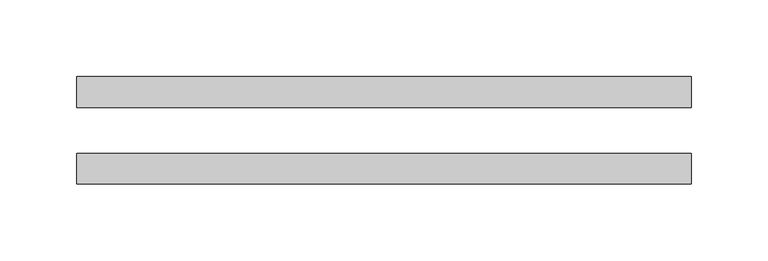
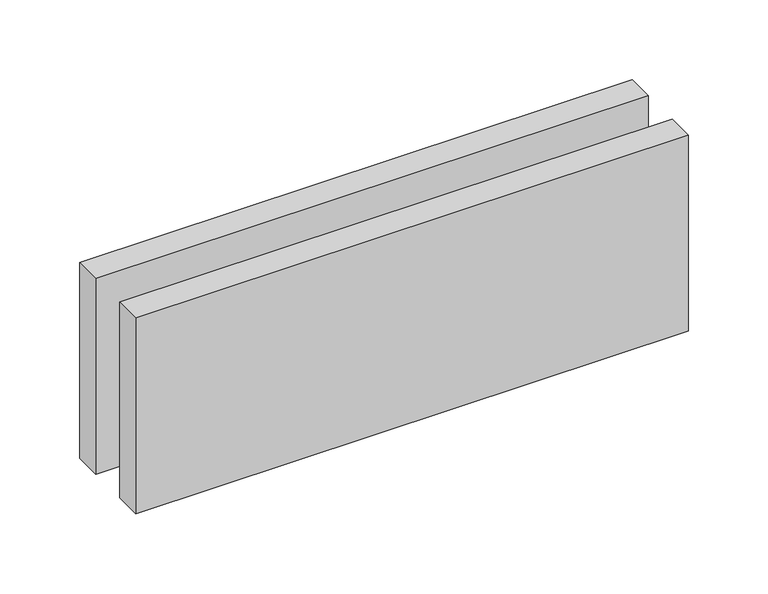
"""IFC4 building model written with IfcOpenShell, lengths in millimetres: proxy geometry."""

import ifcopenshell
import ifcopenshell.guid

model = None  # the IFC model being written
_history = None  # IfcOwnerHistory: only IFC2X3 demands one
_inside = {}  # id of a spatial element -> (the spatial element, [elements in it])
_under = {}  # id of a project, library or spatial element -> (it, [spatial elements below it])
_declared = {}  # id of a project -> (the project, [libraries it declares])
_typed = {}  # id of a type object -> (the type object, [elements of that type])
_made_of = {}  # id of a material, layer set ... -> (it, [elements and type objects made of it])


def new_model(schema):
    """Start an empty IFC model of exactly this schema.

    Asked for "IFC4X3", IfcOpenShell would pick the latest addendum, in which some entities
    have other attributes; the version numbers below select the first issue.
    IFC2X3 requires an IfcOwnerHistory on every rooted entity: one is made here for all.
    """
    global model, _history
    if schema == "IFC4X3":
        model = ifcopenshell.file(schema_version=(4, 3, 0, 0))
    else:
        model = ifcopenshell.file(schema=schema)
    _inside.clear()
    _under.clear()
    _declared.clear()
    _typed.clear()
    _made_of.clear()
    _history = None
    if model.schema == "IFC2X3":
        org = make("IfcOrganization", Name="unknown")
        user = make(
            "IfcPersonAndOrganization",
            ThePerson=make("IfcPerson", FamilyName="unknown"),
            TheOrganization=org,
        )
        app = make(
            "IfcApplication",
            ApplicationDeveloper=org,
            Version="unknown",
            ApplicationFullName="unknown",
            ApplicationIdentifier="unknown",
        )
        _history = make(
            "IfcOwnerHistory",
            OwningUser=user,
            OwningApplication=app,
            ChangeAction="ADDED",
            CreationDate=0,
        )
    return model


def make(cls, **values):
    """One entity of the class cls with the attributes given. An attribute that is None is left unset."""
    return model.create_entity(
        cls, **{name: value for name, value in values.items() if value is not None}
    )


def rooted(cls, **values):
    """An entity with a GlobalId (a new one), such as an element, a storey or a relation."""
    return make(cls, GlobalId=ifcopenshell.guid.new(), OwnerHistory=_history, **values)


def si_unit(unit_type, name, prefix=None):
    """IfcSIUnit, for example si_unit("LENGTHUNIT", "METRE", prefix="MILLI")."""
    return make("IfcSIUnit", UnitType=unit_type, Prefix=prefix, Name=name)


def assignment(units):
    """IfcUnitAssignment: the units of a project."""
    return None if units is None else make("IfcUnitAssignment", Units=units)


def point(xyz):
    """IfcCartesianPoint."""
    return None if xyz is None else make("IfcCartesianPoint", Coordinates=xyz)


def direction(xyz):
    """IfcDirection."""
    return None if xyz is None else make("IfcDirection", DirectionRatios=xyz)


def frame(location, z_axis=None, x_axis=None):
    """IfcAxis2Placement3D, a coordinate frame: its origin and axes. An axis left out is left unset."""
    return make(
        "IfcAxis2Placement3D",
        Location=point(location),
        Axis=direction(z_axis),
        RefDirection=direction(x_axis),
    )


def origin():
    """The frame at (0, 0, 0) with its axes left unset."""
    return frame((0.0, 0.0, 0.0))


def origin_with_axes():
    """The frame at (0, 0, 0) with the z axis (0, 0, 1) and the x axis (1, 0, 0) written out."""
    return frame((0.0, 0.0, 0.0), z_axis=(0.0, 0.0, 1.0), x_axis=(1.0, 0.0, 0.0))


def place(relative_to, where):
    """IfcLocalPlacement: puts the frame where relative to a parent placement (None: the world)."""
    return make(
        "IfcLocalPlacement", PlacementRelTo=relative_to, RelativePlacement=where
    )


def context(
    kind, dimensions, precision=None, world=None, true_north=None, identifier=None
):
    """IfcGeometricRepresentationContext, for example the 3D "Model" context."""
    return make(
        "IfcGeometricRepresentationContext",
        ContextIdentifier=identifier,
        ContextType=kind,
        CoordinateSpaceDimension=dimensions,
        Precision=precision,
        WorldCoordinateSystem=world,
        TrueNorth=true_north,
    )


def project(units=None, contexts=None):
    """IfcProject with its units and contexts."""
    return rooted(
        "IfcProject",
        Name="project",
        RepresentationContexts=contexts,
        UnitsInContext=assignment(units),
    )


def spatial(cls, under=None, at=None, **own):
    """A site, building, storey or space (cls), placed at a placement, below another one or the project."""
    s = rooted(cls, ObjectPlacement=at, **own)
    if under is not None:
        _under.setdefault(under.id(), (under, []))[1].append(s)
    return s


def polyline(points):
    """IfcPolyline through the points."""
    return make("IfcPolyline", Points=[point(p) for p in points])


def outline(outer, holes=None, kind="AREA"):
    """IfcArbitraryClosedProfileDef: a profile drawn as a closed curve; with holes, ...WithVoids."""
    if holes is None:
        return make("IfcArbitraryClosedProfileDef", ProfileType=kind, OuterCurve=outer)
    return make(
        "IfcArbitraryProfileDefWithVoids",
        ProfileType=kind,
        OuterCurve=outer,
        InnerCurves=holes,
    )


def extrude(swept, where, along, depth):
    """IfcExtrudedAreaSolid: the profile swept, set in the frame where, extruded along a direction by depth."""
    return make(
        "IfcExtrudedAreaSolid",
        SweptArea=swept,
        Position=where,
        ExtrudedDirection=direction(along),
        Depth=depth,
    )


def shape(context_of_items, identifier, shape_type, items):
    """IfcShapeRepresentation: the items that make up one representation, for example the "Body"."""
    return make(
        "IfcShapeRepresentation",
        ContextOfItems=context_of_items,
        RepresentationIdentifier=identifier,
        RepresentationType=shape_type,
        Items=items,
    )


def source(mapping_origin, context_of_items, identifier, shape_type, items):
    """IfcRepresentationMap: a shape defined once, which mapped items show again and again."""
    return make(
        "IfcRepresentationMap",
        MappingOrigin=mapping_origin,
        MappedRepresentation=shape(context_of_items, identifier, shape_type, items),
    )


def transform(
    local_origin,
    x_axis=None,
    y_axis=None,
    z_axis=None,
    scale=None,
    scale2=None,
    scale3=None,
    uniform=True,
):
    """IfcCartesianTransformationOperator3D, or its non-uniform kind. x_axis, y_axis, z_axis: its Axis1, 2, 3."""
    if uniform:
        return make(
            "IfcCartesianTransformationOperator3D",
            Axis1=direction(x_axis),
            Axis2=direction(y_axis),
            LocalOrigin=point(local_origin),
            Scale=scale,
            Axis3=direction(z_axis),
        )
    return make(
        "IfcCartesianTransformationOperator3DnonUniform",
        Axis1=direction(x_axis),
        Axis2=direction(y_axis),
        LocalOrigin=point(local_origin),
        Scale=scale,
        Axis3=direction(z_axis),
        Scale2=scale2,
        Scale3=scale3,
    )


def mapped(mapping_source, mapping_target):
    """IfcMappedItem: shows the shape of a source again, moved by a transform."""
    return make(
        "IfcMappedItem", MappingSource=mapping_source, MappingTarget=mapping_target
    )


def made_of(thing, what):
    """Note that an element or type object is made of a material, layer set ...; save() writes the relation."""
    if what is not None:
        _made_of.setdefault(what.id(), (what, []))[1].append(thing)
    return thing


def element(
    cls,
    number,
    at=None,
    inside=None,
    cuts=None,
    type_object=None,
    material=None,
    context=None,
    identifier="Body",
    shape_type=None,
    held_by="IfcProductDefinitionShape",
    body=None,
    shapes=None,
    **own,
):
    """One element of the class cls, such as IfcWall. Its Tag is "e" and its number.

    at: its placement. inside: the storey or other place that contains it. cuts: it is an
    opening in that element (IfcRelVoidsElement). A single representation is given by context,
    identifier, shape_type and body (its items); several are given by shapes. held_by: the class
    of the entity that holds the representations. save() writes the other relations.
    """
    e = rooted(cls, Tag="e%d" % number, ObjectPlacement=at, **own)
    if body is not None:
        shapes = [shape(context, identifier, shape_type, body)]
    if shapes is not None:
        e.Representation = make(held_by, Representations=shapes)
    if inside is not None:
        _inside.setdefault(inside.id(), (inside, []))[1].append(e)
    if cuts is not None:
        rooted(
            "IfcRelVoidsElement", RelatingBuildingElement=cuts, RelatedOpeningElement=e
        )
    if type_object is not None:
        _typed.setdefault(type_object.id(), (type_object, []))[1].append(e)
    return made_of(e, material)


def aggregate(whole, parts):
    """IfcRelAggregates: a whole, such as a stair, and the parts it consists of."""
    return rooted("IfcRelAggregates", RelatingObject=whole, RelatedObjects=parts)


def save(model, path):
    """Write the relations noted so far, then the file.

    IfcRelAggregates (storeys below a building ...), IfcRelContainedInSpatialStructure (elements
    in a storey), IfcRelDefinesByType, IfcRelAssociatesMaterial and IfcRelDeclares: one each for
    every whole, place, type object, material and project.
    """
    for whole, parts in _under.values():
        aggregate(whole, parts)
    for where, things in _inside.values():
        rooted(
            "IfcRelContainedInSpatialStructure",
            RelatedElements=things,
            RelatingStructure=where,
        )
    for kind, things in _typed.values():
        rooted("IfcRelDefinesByType", RelatedObjects=things, RelatingType=kind)
    for what, things in _made_of.values():
        rooted("IfcRelAssociatesMaterial", RelatedObjects=things, RelatingMaterial=what)
    for by, libraries in _declared.values():
        rooted("IfcRelDeclares", RelatingContext=by, RelatedDefinitions=libraries)
    model.write(path)


def generic_models_8362e1e6(model_context):
    return source(origin(), model_context, "Body", "SweptSolid", [
        extrude(outline(polyline([(400.0, 15.0), (0.0, 15.0), (0.0, 35.0), (400.0, 35.0), (400.0, 15.0)])), origin_with_axes(), (0.0, 0.0, 1.0), 150.0),
        extrude(outline(polyline([(400.0, -35.0), (0.0, -35.0), (0.0, -15.0), (400.0, -15.0), (400.0, -35.0)])), origin_with_axes(), (0.0, 0.0, 1.0), 150.0),
    ])


if __name__ == "__main__":
    model = new_model("IFC4")
    model_context = context("Model", 3, world=origin())
    ifc_project = project(units=[si_unit("LENGTHUNIT", "METRE", prefix="MILLI")], contexts=[model_context])
    site = spatial("IfcSite", under=ifc_project)
    building = spatial("IfcBuilding", under=site)
    placement = place(None, origin())
    generic_models_shape = generic_models_8362e1e6(model_context)
    element("IfcBuildingElementProxy", 1, Name="Generic Models", at=placement, inside=building, context=model_context, shape_type="MappedRepresentation", body=[
        mapped(generic_models_shape, transform((0.0, 0.0, 0.0), x_axis=(1.0, 0.0, 0.0), y_axis=(0.0, 1.0, 0.0), z_axis=(0.0, 0.0, 1.0))),
    ])
    save(model, "model.ifc")
